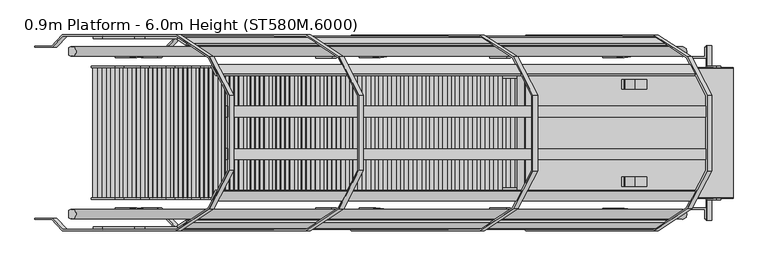
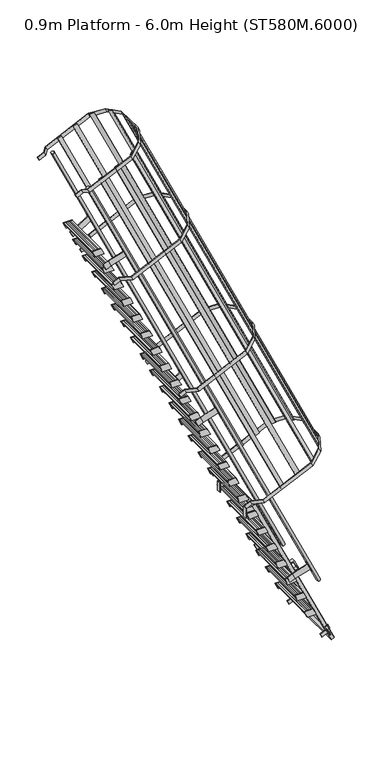
"""IFC4 building model written with IfcOpenShell, lengths in millimetres: proxy geometry, 0.9m Platform - 6.0m Height (ST580M.6000)."""

from ifc_helpers import new_model, si_unit, point, frame, frame_2d, origin, place, context, project, spatial, polyline, circle_curve, trimmed, segment, composite_curve, outline, extrude, source, transform, mapped, element, save


def proxy_0_9m_platform_6_0m_height_st580m_6000_4cd57a2c(model_context):
    return source(origin(), model_context, "Body", "SweptSolid", [
        extrude(outline(polyline([(5750.0, -287.4264819), (5670.0, -250.1218743), (5670.0, -139.7840772), (5750.0, -177.0886899), (5750.0, -287.4264819)])), frame((0.0, 298.5, 0.0), z_axis=(0.0, 1.0, 0.0), x_axis=(0.0, 0.0, 1.0)), (0.0, 0.0, 1.0), 6.0),
        extrude(outline(polyline([(5750.0, -287.4264819), (5670.0, -250.1218743), (5670.0, -139.7840772), (5750.0, -177.0886899), (5750.0, -287.4264819)])), frame((0.0, -304.5, 0.0), z_axis=(0.0, 1.0, 0.0), x_axis=(0.0, 0.0, 1.0)), (0.0, 0.0, 1.0), 6.0),
        extrude(outline(polyline([(5750.0, -280.2545256), (5712.0999991, -262.5814674), (5712.0999991, -260.3747116), (5747.0, -276.648847), (5747.0, -177.8965227), (5712.0999991, -161.6223851), (5712.0999991, -159.4156292), (5750.0, -177.0886899), (5750.0, -197.516431), (5749.2749538, -197.8545256), (5750.0, -198.1926202), (5750.0, -218.116431), (5749.2749538, -218.4545256), (5750.0, -218.7926202), (5750.0, -238.716431), (5749.2749538, -239.0545256), (5750.0, -239.3926202), (5750.0, -259.316431), (5749.2749538, -259.6545256), (5750.0, -259.9926202), (5750.0, -280.2545256)])), frame((0.0, -298.5, 0.0), z_axis=(0.0, 1.0, 0.0), x_axis=(0.0, 0.0, 1.0)), (0.0, 0.0, 1.0), 597.0),
        extrude(outline(polyline([(5500.0, -170.8481756), (5420.0, -133.543568), (5420.0, -23.2057709), (5500.0, -60.5103836), (5500.0, -170.8481756)])), frame((0.0, 298.5, 0.0), z_axis=(0.0, 1.0, 0.0), x_axis=(0.0, 0.0, 1.0)), (0.0, 0.0, 1.0), 6.0),
        extrude(outline(polyline([(5500.0, -170.8481756), (5420.0, -133.543568), (5420.0, -23.2057709), (5500.0, -60.5103836), (5500.0, -170.8481756)])), frame((0.0, -304.5, 0.0), z_axis=(0.0, 1.0, 0.0), x_axis=(0.0, 0.0, 1.0)), (0.0, 0.0, 1.0), 6.0),
        extrude(outline(polyline([(5500.0, -163.6762193), (5462.0999991, -146.0031611), (5462.0999991, -143.7964053), (5497.0, -160.0705407), (5497.0, -61.3182165), (5462.0999991, -45.0440788), (5462.0999991, -42.8373229), (5500.0, -60.5103836), (5500.0, -80.9381247), (5499.2749538, -81.2762193), (5500.0, -81.6143139), (5500.0, -101.5381247), (5499.2749538, -101.8762193), (5500.0, -102.2143139), (5500.0, -122.1381247), (5499.2749538, -122.4762193), (5500.0, -122.8143139), (5500.0, -142.7381247), (5499.2749538, -143.0762193), (5500.0, -143.4143139), (5500.0, -163.6762193)])), frame((0.0, -298.5, 0.0), z_axis=(0.0, 1.0, 0.0), x_axis=(0.0, 0.0, 1.0)), (0.0, 0.0, 1.0), 597.0),
        extrude(outline(polyline([(5250.0, -54.2698693), (5170.0, -16.9652617), (5170.0, 93.3725354), (5250.0, 56.0679227), (5250.0, -54.2698693)])), frame((0.0, 298.5, 0.0), z_axis=(0.0, 1.0, 0.0), x_axis=(0.0, 0.0, 1.0)), (0.0, 0.0, 1.0), 6.0),
        extrude(outline(polyline([(5250.0, -54.2698693), (5170.0, -16.9652617), (5170.0, 93.3725354), (5250.0, 56.0679227), (5250.0, -54.2698693)])), frame((0.0, -304.5, 0.0), z_axis=(0.0, 1.0, 0.0), x_axis=(0.0, 0.0, 1.0)), (0.0, 0.0, 1.0), 6.0),
        extrude(outline(polyline([(5250.0, -47.097913), (5212.0999991, -29.4248548), (5212.0999991, -27.218099), (5247.0, -43.4922345), (5247.0, 55.2600898), (5212.0999991, 71.5342275), (5212.0999991, 73.7409833), (5250.0, 56.0679227), (5250.0, 35.6401815), (5249.2749538, 35.302087), (5250.0, 34.9639924), (5250.0, 15.0401815), (5249.2749538, 14.702087), (5250.0, 14.3639924), (5250.0, -5.5598185), (5249.2749538, -5.897913), (5250.0, -6.2360076), (5250.0, -26.1598185), (5249.2749538, -26.497913), (5250.0, -26.8360076), (5250.0, -47.097913)])), frame((0.0, -298.5, 0.0), z_axis=(0.0, 1.0, 0.0), x_axis=(0.0, 0.0, 1.0)), (0.0, 0.0, 1.0), 597.0),
        extrude(outline(polyline([(5000.0, 62.308437), (4920.0, 99.6130446), (4920.0, 209.9508416), (5000.0, 172.646229), (5000.0, 62.308437)])), frame((0.0, 298.5, 0.0), z_axis=(0.0, 1.0, 0.0), x_axis=(0.0, 0.0, 1.0)), (0.0, 0.0, 1.0), 6.0),
        extrude(outline(polyline([(5000.0, 62.308437), (4920.0, 99.6130446), (4920.0, 209.9508416), (5000.0, 172.646229), (5000.0, 62.308437)])), frame((0.0, -304.5, 0.0), z_axis=(0.0, 1.0, 0.0), x_axis=(0.0, 0.0, 1.0)), (0.0, 0.0, 1.0), 6.0),
        extrude(outline(polyline([(5000.0, 69.4803933), (4962.0999991, 87.1534515), (4962.0999991, 89.3602073), (4997.0, 73.0860718), (4997.0, 171.8383961), (4962.0999991, 188.1125338), (4962.0999991, 190.3192896), (5000.0, 172.646229), (5000.0, 152.2184878), (4999.2749538, 151.8803933), (5000.0, 151.5422987), (5000.0, 131.6184878), (4999.2749538, 131.2803933), (5000.0, 130.9422987), (5000.0, 111.0184878), (4999.2749538, 110.6803933), (5000.0, 110.3422987), (5000.0, 90.4184878), (4999.2749538, 90.0803933), (5000.0, 89.7422987), (5000.0, 69.4803933)])), frame((0.0, -298.5, 0.0), z_axis=(0.0, 1.0, 0.0), x_axis=(0.0, 0.0, 1.0)), (0.0, 0.0, 1.0), 597.0),
        extrude(outline(polyline([(4750.0, 178.8867433), (4670.0, 216.1913509), (4670.0, 326.5291479), (4750.0, 289.2245353), (4750.0, 178.8867433)])), frame((0.0, 298.5, 0.0), z_axis=(0.0, 1.0, 0.0), x_axis=(0.0, 0.0, 1.0)), (0.0, 0.0, 1.0), 6.0),
        extrude(outline(polyline([(4750.0, 178.8867433), (4670.0, 216.1913509), (4670.0, 326.5291479), (4750.0, 289.2245353), (4750.0, 178.8867433)])), frame((0.0, -304.5, 0.0), z_axis=(0.0, 1.0, 0.0), x_axis=(0.0, 0.0, 1.0)), (0.0, 0.0, 1.0), 6.0),
        extrude(outline(polyline([(4750.0, 186.0586996), (4712.0999991, 203.7317578), (4712.0999991, 205.9385136), (4747.0, 189.6643781), (4747.0, 288.4167024), (4712.0999991, 304.6908401), (4712.0999991, 306.8975959), (4750.0, 289.2245353), (4750.0, 268.7967941), (4749.2749538, 268.4586996), (4750.0, 268.120605), (4750.0, 248.1967941), (4749.2749538, 247.8586996), (4750.0, 247.520605), (4750.0, 227.5967941), (4749.2749538, 227.2586996), (4750.0, 226.920605), (4750.0, 206.9967941), (4749.2749538, 206.6586996), (4750.0, 206.320605), (4750.0, 186.0586996)])), frame((0.0, -298.5, 0.0), z_axis=(0.0, 1.0, 0.0), x_axis=(0.0, 0.0, 1.0)), (0.0, 0.0, 1.0), 597.0),
        extrude(outline(polyline([(4500.0, 295.4650495), (4420.0, 332.7696571), (4420.0, 443.1074542), (4500.0, 405.8028416), (4500.0, 295.4650495)])), frame((0.0, 298.5, 0.0), z_axis=(0.0, 1.0, 0.0), x_axis=(0.0, 0.0, 1.0)), (0.0, 0.0, 1.0), 6.0),
        extrude(outline(polyline([(4500.0, 295.4650495), (4420.0, 332.7696571), (4420.0, 443.1074542), (4500.0, 405.8028416), (4500.0, 295.4650495)])), frame((0.0, -304.5, 0.0), z_axis=(0.0, 1.0, 0.0), x_axis=(0.0, 0.0, 1.0)), (0.0, 0.0, 1.0), 6.0),
        extrude(outline(polyline([(4500.0, 302.6370058), (4462.0999991, 320.3100641), (4462.0999991, 322.5168199), (4497.0, 306.2426844), (4497.0, 404.9950087), (4462.0999991, 421.2691464), (4462.0999991, 423.4759022), (4500.0, 405.8028416), (4500.0, 385.3751004), (4499.2749538, 385.0370058), (4500.0, 384.6989113), (4500.0, 364.7751004), (4499.2749538, 364.4370058), (4500.0, 364.0989113), (4500.0, 344.1751004), (4499.2749538, 343.8370058), (4500.0, 343.4989113), (4500.0, 323.5751004), (4499.2749538, 323.2370058), (4500.0, 322.8989113), (4500.0, 302.6370058)])), frame((0.0, -298.5, 0.0), z_axis=(0.0, 1.0, 0.0), x_axis=(0.0, 0.0, 1.0)), (0.0, 0.0, 1.0), 597.0),
        extrude(outline(polyline([(4250.0, 412.0433558), (4170.0, 449.3479634), (4170.0, 559.6857605), (4250.0, 522.3811479), (4250.0, 412.0433558)])), frame((0.0, 298.5, 0.0), z_axis=(0.0, 1.0, 0.0), x_axis=(0.0, 0.0, 1.0)), (0.0, 0.0, 1.0), 6.0),
        extrude(outline(polyline([(4250.0, 412.0433558), (4170.0, 449.3479634), (4170.0, 559.6857605), (4250.0, 522.3811479), (4250.0, 412.0433558)])), frame((0.0, -304.5, 0.0), z_axis=(0.0, 1.0, 0.0), x_axis=(0.0, 0.0, 1.0)), (0.0, 0.0, 1.0), 6.0),
        extrude(outline(polyline([(4250.0, 419.2153121), (4212.0999991, 436.8883704), (4212.0999991, 439.0951262), (4247.0, 422.8209907), (4247.0, 521.573315), (4212.0999991, 537.8474527), (4212.0999991, 540.0542085), (4250.0, 522.3811479), (4250.0, 501.9534067), (4249.2749538, 501.6153121), (4250.0, 501.2772176), (4250.0, 481.3534067), (4249.2749538, 481.0153121), (4250.0, 480.6772176), (4250.0, 460.7534067), (4249.2749538, 460.4153121), (4250.0, 460.0772176), (4250.0, 440.1534067), (4249.2749538, 439.8153121), (4250.0, 439.4772176), (4250.0, 419.2153121)])), frame((0.0, -298.5, 0.0), z_axis=(0.0, 1.0, 0.0), x_axis=(0.0, 0.0, 1.0)), (0.0, 0.0, 1.0), 597.0),
        extrude(outline(polyline([(4000.0, 528.6216621), (3920.0, 565.9262697), (3920.0, 676.2640668), (4000.0, 638.9594541), (4000.0, 528.6216621)])), frame((0.0, 298.5, 0.0), z_axis=(0.0, 1.0, 0.0), x_axis=(0.0, 0.0, 1.0)), (0.0, 0.0, 1.0), 6.0),
        extrude(outline(polyline([(4000.0, 528.6216621), (3920.0, 565.9262697), (3920.0, 676.2640668), (4000.0, 638.9594541), (4000.0, 528.6216621)])), frame((0.0, -304.5, 0.0), z_axis=(0.0, 1.0, 0.0), x_axis=(0.0, 0.0, 1.0)), (0.0, 0.0, 1.0), 6.0),
        extrude(outline(polyline([(4000.0, 535.7936184), (3962.0999991, 553.4666767), (3962.0999991, 555.6734324), (3997.0, 539.399297), (3997.0, 638.1516213), (3962.0999991, 654.4257589), (3962.0999991, 656.6325148), (4000.0, 638.9594541), (4000.0, 618.531713), (3999.2749538, 618.1936184), (4000.0, 617.8555238), (4000.0, 597.931713), (3999.2749538, 597.5936184), (4000.0, 597.2555238), (4000.0, 577.331713), (3999.2749538, 576.9936184), (4000.0, 576.6555238), (4000.0, 556.731713), (3999.2749538, 556.3936184), (4000.0, 556.0555238), (4000.0, 535.7936184)])), frame((0.0, -298.5, 0.0), z_axis=(0.0, 1.0, 0.0), x_axis=(0.0, 0.0, 1.0)), (0.0, 0.0, 1.0), 597.0),
        extrude(outline(polyline([(3750.0, 645.1999684), (3670.0, 682.504576), (3670.0, 792.8423731), (3750.0, 755.5377604), (3750.0, 645.1999684)])), frame((0.0, 298.5, 0.0), z_axis=(0.0, 1.0, 0.0), x_axis=(0.0, 0.0, 1.0)), (0.0, 0.0, 1.0), 6.0),
        extrude(outline(polyline([(3750.0, 645.1999684), (3670.0, 682.504576), (3670.0, 792.8423731), (3750.0, 755.5377604), (3750.0, 645.1999684)])), frame((0.0, -304.5, 0.0), z_axis=(0.0, 1.0, 0.0), x_axis=(0.0, 0.0, 1.0)), (0.0, 0.0, 1.0), 6.0),
        extrude(outline(polyline([(3750.0, 652.3719247), (3712.0999991, 670.044983), (3712.0999991, 672.2517387), (3747.0, 655.9776033), (3747.0, 754.7299276), (3712.0999991, 771.0040652), (3712.0999991, 773.2108211), (3750.0, 755.5377604), (3750.0, 735.1100193), (3749.2749538, 734.7719247), (3750.0, 734.4338301), (3750.0, 714.5100193), (3749.2749538, 714.1719247), (3750.0, 713.8338301), (3750.0, 693.9100193), (3749.2749538, 693.5719247), (3750.0, 693.2338301), (3750.0, 673.3100193), (3749.2749538, 672.9719247), (3750.0, 672.6338301), (3750.0, 652.3719247)])), frame((0.0, -298.5, 0.0), z_axis=(0.0, 1.0, 0.0), x_axis=(0.0, 0.0, 1.0)), (0.0, 0.0, 1.0), 597.0),
        extrude(outline(polyline([(3500.0, 761.7782747), (3420.0, 799.0828823), (3420.0, 909.4206794), (3500.0, 872.1160667), (3500.0, 761.7782747)])), frame((0.0, 298.5, 0.0), z_axis=(0.0, 1.0, 0.0), x_axis=(0.0, 0.0, 1.0)), (0.0, 0.0, 1.0), 6.0),
        extrude(outline(polyline([(3500.0, 761.7782747), (3420.0, 799.0828823), (3420.0, 909.4206794), (3500.0, 872.1160667), (3500.0, 761.7782747)])), frame((0.0, -304.5, 0.0), z_axis=(0.0, 1.0, 0.0), x_axis=(0.0, 0.0, 1.0)), (0.0, 0.0, 1.0), 6.0),
        extrude(outline(polyline([(3500.0, 768.950231), (3462.0999991, 786.6232892), (3462.0999991, 788.830045), (3497.0, 772.5559096), (3497.0, 871.3082339), (3462.0999991, 887.5823715), (3462.0999991, 889.7891274), (3500.0, 872.1160667), (3500.0, 851.6883256), (3499.2749538, 851.350231), (3500.0, 851.0121364), (3500.0, 831.0883256), (3499.2749538, 830.750231), (3500.0, 830.4121364), (3500.0, 810.4883256), (3499.2749538, 810.150231), (3500.0, 809.8121364), (3500.0, 789.8883256), (3499.2749538, 789.550231), (3500.0, 789.2121364), (3500.0, 768.950231)])), frame((0.0, -298.5, 0.0), z_axis=(0.0, 1.0, 0.0), x_axis=(0.0, 0.0, 1.0)), (0.0, 0.0, 1.0), 597.0),
        extrude(outline(polyline([(3250.0, 878.356581), (3170.0, 915.6611886), (3170.0, 1025.9989857), (3250.0, 988.694373), (3250.0, 878.356581)])), frame((0.0, 298.5, 0.0), z_axis=(0.0, 1.0, 0.0), x_axis=(0.0, 0.0, 1.0)), (0.0, 0.0, 1.0), 6.0),
        extrude(outline(polyline([(3250.0, 878.356581), (3170.0, 915.6611886), (3170.0, 1025.9989857), (3250.0, 988.694373), (3250.0, 878.356581)])), frame((0.0, -304.5, 0.0), z_axis=(0.0, 1.0, 0.0), x_axis=(0.0, 0.0, 1.0)), (0.0, 0.0, 1.0), 6.0),
        extrude(outline(polyline([(3250.0, 885.5285373), (3212.0999991, 903.2015955), (3212.0999991, 905.4083513), (3247.0, 889.1342158), (3247.0, 987.8865401), (3212.0999991, 1004.1606778), (3212.0999991, 1006.3674336), (3250.0, 988.694373), (3250.0, 968.2666319), (3249.2749538, 967.9285373), (3250.0, 967.5904427), (3250.0, 947.6666319), (3249.2749538, 947.3285373), (3250.0, 946.9904427), (3250.0, 927.0666319), (3249.2749538, 926.7285373), (3250.0, 926.3904427), (3250.0, 906.4666319), (3249.2749538, 906.1285373), (3250.0, 905.7904427), (3250.0, 885.5285373)])), frame((0.0, -298.5, 0.0), z_axis=(0.0, 1.0, 0.0), x_axis=(0.0, 0.0, 1.0)), (0.0, 0.0, 1.0), 597.0),
        extrude(outline(polyline([(3000.0, 994.9348873), (2920.0, 1032.2394949), (2920.0, 1142.5772919), (3000.0, 1105.2726793), (3000.0, 994.9348873)])), frame((0.0, 298.5, 0.0), z_axis=(0.0, 1.0, 0.0), x_axis=(0.0, 0.0, 1.0)), (0.0, 0.0, 1.0), 6.0),
        extrude(outline(polyline([(3000.0, 994.9348873), (2920.0, 1032.2394949), (2920.0, 1142.5772919), (3000.0, 1105.2726793), (3000.0, 994.9348873)])), frame((0.0, -304.5, 0.0), z_axis=(0.0, 1.0, 0.0), x_axis=(0.0, 0.0, 1.0)), (0.0, 0.0, 1.0), 6.0),
        extrude(outline(polyline([(3000.0, 1002.1068436), (2962.0999991, 1019.7799018), (2962.0999991, 1021.9866576), (2997.0, 1005.7125221), (2997.0, 1104.4648464), (2962.0999991, 1120.7389841), (2962.0999991, 1122.9457399), (3000.0, 1105.2726793), (3000.0, 1084.8449381), (2999.2749538, 1084.5068436), (3000.0, 1084.168749), (3000.0, 1064.2449381), (2999.2749538, 1063.9068436), (3000.0, 1063.568749), (3000.0, 1043.6449381), (2999.2749538, 1043.3068436), (3000.0, 1042.968749), (3000.0, 1023.0449381), (2999.2749538, 1022.7068436), (3000.0, 1022.368749), (3000.0, 1002.1068436)])), frame((0.0, -298.5, 0.0), z_axis=(0.0, 1.0, 0.0), x_axis=(0.0, 0.0, 1.0)), (0.0, 0.0, 1.0), 597.0),
        extrude(outline(polyline([(2750.0, 1111.5131936), (2670.0, 1148.8178012), (2670.0, 1259.1555982), (2750.0, 1221.8509856), (2750.0, 1111.5131936)])), frame((0.0, 298.5, 0.0), z_axis=(0.0, 1.0, 0.0), x_axis=(0.0, 0.0, 1.0)), (0.0, 0.0, 1.0), 6.0),
        extrude(outline(polyline([(2750.0, 1111.5131936), (2670.0, 1148.8178012), (2670.0, 1259.1555982), (2750.0, 1221.8509856), (2750.0, 1111.5131936)])), frame((0.0, -304.5, 0.0), z_axis=(0.0, 1.0, 0.0), x_axis=(0.0, 0.0, 1.0)), (0.0, 0.0, 1.0), 6.0),
        extrude(outline(polyline([(2750.0, 1118.6851499), (2712.0999991, 1136.3582081), (2712.0999991, 1138.5649639), (2747.0, 1122.2908284), (2747.0, 1221.0431527), (2712.0999991, 1237.3172904), (2712.0999991, 1239.5240462), (2750.0, 1221.8509856), (2750.0, 1201.4232444), (2749.2749538, 1201.0851499), (2750.0, 1200.7470553), (2750.0, 1180.8232444), (2749.2749538, 1180.4851499), (2750.0, 1180.1470553), (2750.0, 1160.2232444), (2749.2749538, 1159.8851499), (2750.0, 1159.5470553), (2750.0, 1139.6232444), (2749.2749538, 1139.2851499), (2750.0, 1138.9470553), (2750.0, 1118.6851499)])), frame((0.0, -298.5, 0.0), z_axis=(0.0, 1.0, 0.0), x_axis=(0.0, 0.0, 1.0)), (0.0, 0.0, 1.0), 597.0),
        extrude(outline(polyline([(2500.0, 1228.0914998), (2420.0, 1265.3961074), (2420.0, 1375.7339045), (2500.0, 1338.4292919), (2500.0, 1228.0914998)])), frame((0.0, 298.5, 0.0), z_axis=(0.0, 1.0, 0.0), x_axis=(0.0, 0.0, 1.0)), (0.0, 0.0, 1.0), 6.0),
        extrude(outline(polyline([(2500.0, 1228.0914998), (2420.0, 1265.3961074), (2420.0, 1375.7339045), (2500.0, 1338.4292919), (2500.0, 1228.0914998)])), frame((0.0, -304.5, 0.0), z_axis=(0.0, 1.0, 0.0), x_axis=(0.0, 0.0, 1.0)), (0.0, 0.0, 1.0), 6.0),
        extrude(outline(polyline([(2500.0, 1235.2634561), (2462.0999991, 1252.9365144), (2462.0999991, 1255.1432702), (2497.0, 1238.8691347), (2497.0, 1337.621459), (2462.0999991, 1353.8955967), (2462.0999991, 1356.1023525), (2500.0, 1338.4292919), (2500.0, 1318.0015507), (2499.2749538, 1317.6634561), (2500.0, 1317.3253616), (2500.0, 1297.4015507), (2499.2749538, 1297.0634561), (2500.0, 1296.7253616), (2500.0, 1276.8015507), (2499.2749538, 1276.4634561), (2500.0, 1276.1253616), (2500.0, 1256.2015507), (2499.2749538, 1255.8634561), (2500.0, 1255.5253616), (2500.0, 1235.2634561)])), frame((0.0, -298.5, 0.0), z_axis=(0.0, 1.0, 0.0), x_axis=(0.0, 0.0, 1.0)), (0.0, 0.0, 1.0), 597.0),
        extrude(outline(polyline([(2250.0, 1344.6698061), (2170.0, 1381.9744137), (2170.0, 1492.3122108), (2250.0, 1455.0075982), (2250.0, 1344.6698061)])), frame((0.0, 298.5, 0.0), z_axis=(0.0, 1.0, 0.0), x_axis=(0.0, 0.0, 1.0)), (0.0, 0.0, 1.0), 6.0),
        extrude(outline(polyline([(2250.0, 1344.6698061), (2170.0, 1381.9744137), (2170.0, 1492.3122108), (2250.0, 1455.0075982), (2250.0, 1344.6698061)])), frame((0.0, -304.5, 0.0), z_axis=(0.0, 1.0, 0.0), x_axis=(0.0, 0.0, 1.0)), (0.0, 0.0, 1.0), 6.0),
        extrude(outline(polyline([(2250.0, 1351.8417624), (2212.0999991, 1369.5148207), (2212.0999991, 1371.7215765), (2247.0, 1355.447441), (2247.0, 1454.1997653), (2212.0999991, 1470.473903), (2212.0999991, 1472.6806588), (2250.0, 1455.0075982), (2250.0, 1434.579857), (2249.2749538, 1434.2417624), (2250.0, 1433.9036679), (2250.0, 1413.979857), (2249.2749538, 1413.6417624), (2250.0, 1413.3036679), (2250.0, 1393.379857), (2249.2749538, 1393.0417624), (2250.0, 1392.7036679), (2250.0, 1372.779857), (2249.2749538, 1372.4417624), (2250.0, 1372.1036679), (2250.0, 1351.8417624)])), frame((0.0, -298.5, 0.0), z_axis=(0.0, 1.0, 0.0), x_axis=(0.0, 0.0, 1.0)), (0.0, 0.0, 1.0), 597.0),
        extrude(outline(polyline([(2000.0, 1461.2481124), (1920.0, 1498.55272), (1920.0, 1608.8905171), (2000.0, 1571.5859044), (2000.0, 1461.2481124)])), frame((0.0, 298.5, 0.0), z_axis=(0.0, 1.0, 0.0), x_axis=(0.0, 0.0, 1.0)), (0.0, 0.0, 1.0), 6.0),
        extrude(outline(polyline([(2000.0, 1461.2481124), (1920.0, 1498.55272), (1920.0, 1608.8905171), (2000.0, 1571.5859044), (2000.0, 1461.2481124)])), frame((0.0, -304.5, 0.0), z_axis=(0.0, 1.0, 0.0), x_axis=(0.0, 0.0, 1.0)), (0.0, 0.0, 1.0), 6.0),
        extrude(outline(polyline([(2000.0, 1468.4200687), (1962.0999991, 1486.093127), (1962.0999991, 1488.2998828), (1997.0, 1472.0257473), (1997.0, 1570.7780716), (1962.0999991, 1587.0522092), (1962.0999991, 1589.2589651), (2000.0, 1571.5859044), (2000.0, 1551.1581633), (1999.2749538, 1550.8200687), (2000.0, 1550.4819741), (2000.0, 1530.5581633), (1999.2749538, 1530.2200687), (2000.0, 1529.8819741), (2000.0, 1509.9581633), (1999.2749538, 1509.6200687), (2000.0, 1509.2819741), (2000.0, 1489.3581633), (1999.2749538, 1489.0200687), (2000.0, 1488.6819741), (2000.0, 1468.4200687)])), frame((0.0, -298.5, 0.0), z_axis=(0.0, 1.0, 0.0), x_axis=(0.0, 0.0, 1.0)), (0.0, 0.0, 1.0), 597.0),
        extrude(outline(polyline([(1750.0, 1577.8264187), (1670.0, 1615.1310263), (1670.0, 1725.4688234), (1750.0, 1688.1642107), (1750.0, 1577.8264187)])), frame((0.0, 298.5, 0.0), z_axis=(0.0, 1.0, 0.0), x_axis=(0.0, 0.0, 1.0)), (0.0, 0.0, 1.0), 6.0),
        extrude(outline(polyline([(1750.0, 1577.8264187), (1670.0, 1615.1310263), (1670.0, 1725.4688234), (1750.0, 1688.1642107), (1750.0, 1577.8264187)])), frame((0.0, -304.5, 0.0), z_axis=(0.0, 1.0, 0.0), x_axis=(0.0, 0.0, 1.0)), (0.0, 0.0, 1.0), 6.0),
        extrude(outline(polyline([(1750.0, 1584.998375), (1712.0999991, 1602.6714333), (1712.0999991, 1604.878189), (1747.0, 1588.6040536), (1747.0, 1687.3563779), (1712.0999991, 1703.6305155), (1712.0999991, 1705.8372714), (1750.0, 1688.1642107), (1750.0, 1667.7364696), (1749.2749538, 1667.398375), (1750.0, 1667.0602804), (1750.0, 1647.1364696), (1749.2749538, 1646.798375), (1750.0, 1646.4602804), (1750.0, 1626.5364696), (1749.2749538, 1626.198375), (1750.0, 1625.8602804), (1750.0, 1605.9364696), (1749.2749538, 1605.598375), (1750.0, 1605.2602804), (1750.0, 1584.998375)])), frame((0.0, -298.5, 0.0), z_axis=(0.0, 1.0, 0.0), x_axis=(0.0, 0.0, 1.0)), (0.0, 0.0, 1.0), 597.0),
        extrude(outline(polyline([(1500.0, 1694.404725), (1420.0, 1731.7093326), (1420.0, 1842.0471297), (1500.0, 1804.742517), (1500.0, 1694.404725)])), frame((0.0, 298.5, 0.0), z_axis=(0.0, 1.0, 0.0), x_axis=(0.0, 0.0, 1.0)), (0.0, 0.0, 1.0), 6.0),
        extrude(outline(polyline([(1500.0, 1694.404725), (1420.0, 1731.7093326), (1420.0, 1842.0471297), (1500.0, 1804.742517), (1500.0, 1694.404725)])), frame((0.0, -304.5, 0.0), z_axis=(0.0, 1.0, 0.0), x_axis=(0.0, 0.0, 1.0)), (0.0, 0.0, 1.0), 6.0),
        extrude(outline(polyline([(1500.0, 1701.5766813), (1462.0999991, 1719.2497395), (1462.0999991, 1721.4564953), (1497.0, 1705.1823599), (1497.0, 1803.9346842), (1462.0999991, 1820.2088218), (1462.0999991, 1822.4155777), (1500.0, 1804.742517), (1500.0, 1784.3147759), (1499.2749538, 1783.9766813), (1500.0, 1783.6385867), (1500.0, 1763.7147759), (1499.2749538, 1763.3766813), (1500.0, 1763.0385867), (1500.0, 1743.1147759), (1499.2749538, 1742.7766813), (1500.0, 1742.4385867), (1500.0, 1722.5147759), (1499.2749538, 1722.1766813), (1500.0, 1721.8385867), (1500.0, 1701.5766813)])), frame((0.0, -298.5, 0.0), z_axis=(0.0, 1.0, 0.0), x_axis=(0.0, 0.0, 1.0)), (0.0, 0.0, 1.0), 597.0),
        extrude(outline(polyline([(1250.0, 1810.9830313), (1170.0, 1848.2876389), (1170.0, 1958.625436), (1250.0, 1921.3208233), (1250.0, 1810.9830313)])), frame((0.0, 298.5, 0.0), z_axis=(0.0, 1.0, 0.0), x_axis=(0.0, 0.0, 1.0)), (0.0, 0.0, 1.0), 6.0),
        extrude(outline(polyline([(1250.0, 1810.9830313), (1170.0, 1848.2876389), (1170.0, 1958.625436), (1250.0, 1921.3208233), (1250.0, 1810.9830313)])), frame((0.0, -304.5, 0.0), z_axis=(0.0, 1.0, 0.0), x_axis=(0.0, 0.0, 1.0)), (0.0, 0.0, 1.0), 6.0),
        extrude(outline(polyline([(1250.0, 1818.1549876), (1212.0999991, 1835.8280458), (1212.0999991, 1838.0348016), (1247.0, 1821.7606662), (1247.0, 1920.5129904), (1212.0999991, 1936.7871281), (1212.0999991, 1938.9938839), (1250.0, 1921.3208233), (1250.0, 1900.8930822), (1249.2749538, 1900.5549876), (1250.0, 1900.216893), (1250.0, 1880.2930822), (1249.2749538, 1879.9549876), (1250.0, 1879.616893), (1250.0, 1859.6930822), (1249.2749538, 1859.3549876), (1250.0, 1859.016893), (1250.0, 1839.0930822), (1249.2749538, 1838.7549876), (1250.0, 1838.416893), (1250.0, 1818.1549876)])), frame((0.0, -298.5, 0.0), z_axis=(0.0, 1.0, 0.0), x_axis=(0.0, 0.0, 1.0)), (0.0, 0.0, 1.0), 597.0),
        extrude(outline(polyline([(1000.0, 1927.5613376), (920.0, 1964.8659452), (920.0, 2075.2037422), (1000.0, 2037.8991296), (1000.0, 1927.5613376)])), frame((0.0, 298.5, 0.0), z_axis=(0.0, 1.0, 0.0), x_axis=(0.0, 0.0, 1.0)), (0.0, 0.0, 1.0), 6.0),
        extrude(outline(polyline([(1000.0, 1927.5613376), (920.0, 1964.8659452), (920.0, 2075.2037422), (1000.0, 2037.8991296), (1000.0, 1927.5613376)])), frame((0.0, -304.5, 0.0), z_axis=(0.0, 1.0, 0.0), x_axis=(0.0, 0.0, 1.0)), (0.0, 0.0, 1.0), 6.0),
        extrude(outline(polyline([(1000.0, 1934.7332939), (962.0999991, 1952.4063521), (962.0999991, 1954.6131079), (997.0, 1938.3389724), (997.0, 2037.0912967), (962.0999991, 2053.3654344), (962.0999991, 2055.5721902), (1000.0, 2037.8991296), (1000.0, 2017.4713884), (999.2749538, 2017.1332939), (1000.0, 2016.7951993), (1000.0, 1996.8713884), (999.2749538, 1996.5332939), (1000.0, 1996.1951993), (1000.0, 1976.2713884), (999.2749538, 1975.9332939), (1000.0, 1975.5951993), (1000.0, 1955.6713884), (999.2749538, 1955.3332939), (1000.0, 1954.9951993), (1000.0, 1934.7332939)])), frame((0.0, -298.5, 0.0), z_axis=(0.0, 1.0, 0.0), x_axis=(0.0, 0.0, 1.0)), (0.0, 0.0, 1.0), 597.0),
        extrude(outline(polyline([(750.0, 2044.1396439), (670.0, 2081.4442515), (670.0, 2191.7820485), (750.0, 2154.4774359), (750.0, 2044.1396439)])), frame((0.0, 298.5, 0.0), z_axis=(0.0, 1.0, 0.0), x_axis=(0.0, 0.0, 1.0)), (0.0, 0.0, 1.0), 6.0),
        extrude(outline(polyline([(750.0, 2044.1396439), (670.0, 2081.4442515), (670.0, 2191.7820485), (750.0, 2154.4774359), (750.0, 2044.1396439)])), frame((0.0, -304.5, 0.0), z_axis=(0.0, 1.0, 0.0), x_axis=(0.0, 0.0, 1.0)), (0.0, 0.0, 1.0), 6.0),
        extrude(outline(polyline([(750.0, 2051.3116002), (712.0999991, 2068.9846584), (712.0999991, 2071.1914142), (747.0, 2054.9172787), (747.0, 2153.669603), (712.0999991, 2169.9437407), (712.0999991, 2172.1504965), (750.0, 2154.4774359), (750.0, 2134.0496947), (749.2749538, 2133.7116002), (750.0, 2133.3735056), (750.0, 2113.4496947), (749.2749538, 2113.1116002), (750.0, 2112.7735056), (750.0, 2092.8496947), (749.2749538, 2092.5116002), (750.0, 2092.1735056), (750.0, 2072.2496947), (749.2749538, 2071.9116002), (750.0, 2071.5735056), (750.0, 2051.3116002)])), frame((0.0, -298.5, 0.0), z_axis=(0.0, 1.0, 0.0), x_axis=(0.0, 0.0, 1.0)), (0.0, 0.0, 1.0), 597.0),
        extrude(outline(polyline([(500.0, 2160.7179501), (420.0, 2198.0225577), (420.0, 2308.3603548), (500.0, 2271.0557422), (500.0, 2160.7179501)])), frame((0.0, 298.5, 0.0), z_axis=(0.0, 1.0, 0.0), x_axis=(0.0, 0.0, 1.0)), (0.0, 0.0, 1.0), 6.0),
        extrude(outline(polyline([(500.0, 2160.7179501), (420.0, 2198.0225577), (420.0, 2308.3603548), (500.0, 2271.0557422), (500.0, 2160.7179501)])), frame((0.0, -304.5, 0.0), z_axis=(0.0, 1.0, 0.0), x_axis=(0.0, 0.0, 1.0)), (0.0, 0.0, 1.0), 6.0),
        extrude(outline(polyline([(500.0, 2167.8899064), (462.0999991, 2185.5629647), (462.0999991, 2187.7697205), (497.0, 2171.495585), (497.0, 2270.2479093), (462.0999991, 2286.522047), (462.0999991, 2288.7288028), (500.0, 2271.0557422), (500.0, 2250.628001), (499.2749538, 2250.2899064), (500.0, 2249.9518119), (500.0, 2230.028001), (499.2749538, 2229.6899064), (500.0, 2229.3518119), (500.0, 2209.428001), (499.2749538, 2209.0899064), (500.0, 2208.7518119), (500.0, 2188.828001), (499.2749538, 2188.4899064), (500.0, 2188.1518119), (500.0, 2167.8899064)])), frame((0.0, -298.5, 0.0), z_axis=(0.0, 1.0, 0.0), x_axis=(0.0, 0.0, 1.0)), (0.0, 0.0, 1.0), 597.0),
        extrude(outline(polyline([(0.0, -6.0), (0.0, 0.0), (50.0, 0.0), (50.0, -6.0), (0.0, -6.0)])), frame((1467.8171583, 296.0, 1938.5825253), z_axis=(-4.386544572965167e-06, 0.0, 0.9999999999903791), x_axis=(0.0, -1.0, 0.0)), (0.0, 0.0, 1.0), 120.0),
        extrude(outline(polyline([(2000.5829861, 1572.8627305), (2058.5828675, 1545.8166319), (2058.5825253, 1467.8166319), (2000.5825253, 1467.8168863), (2000.5829861, 1572.8627305)])), frame((0.0, 252.0, 0.0), z_axis=(0.0, 1.0, 0.0), x_axis=(0.0, 0.0, 1.0)), (0.0, 0.0, 1.0), 38.0),
        extrude(outline(polyline([(0.0, -6.0), (0.0, 0.0), (50.0, 0.0), (50.0, -6.0), (0.0, -6.0)])), frame((1461.8171583, -296.0, 1938.582499), z_axis=(-4.386544570578188e-06, 0.0, 0.9999999999903793), x_axis=(0.0, 1.0, 0.0)), (0.0, 0.0, 1.0), 120.0),
        extrude(outline(polyline([(2000.5829861, 1572.8627305), (2058.5828675, 1545.8166319), (2058.5825253, 1467.8166319), (2000.5825253, 1467.8168863), (2000.5829861, 1572.8627305)])), frame((0.0, -290.0, 0.0), z_axis=(0.0, 1.0, 0.0), x_axis=(0.0, 0.0, 1.0)), (0.0, 0.0, 1.0), 38.0),
        extrude(outline(polyline([(0.0, -590.0), (0.0, 0.0), (2.0, 0.0), (2.0, -590.0), (0.0, -590.0)])), frame((2526.6295696, -295.0, 49.8939963), z_axis=(-0.4226222372961309, 0.0, 0.9063059331940915), x_axis=(-0.9063059331940915, 0.0, -0.4226222372961309)), (0.0, 0.0, 1.0), 2240.0),
        extrude(outline(polyline([(2250.0, 0.0), (2250.0, -600.0), (0.0, -600.0), (0.0, 0.0), (2250.0, 0.0)]), holes=[polyline([(1096.0, -58.0), (58.0, -58.0), (58.0, -542.0), (1096.0, -542.0), (1096.0, -58.0)]), polyline([(1154.0, -542.0), (2192.0000001, -542.0), (2192.0000001, -58.0), (1154.0, -58.0), (1154.0, -542.0)])]), frame((1541.5904095, 300.0, 2067.6459268), z_axis=(0.9063059331940915, 0.0, 0.4226222372961309), x_axis=(0.4226222372961309, 0.0, -0.9063059331940915)), (0.0, 0.0, 1.0), 38.0),
        extrude(outline(polyline([(0.0, 0.0), (80.0, 0.0), (80.0, -6.0), (6.0, -6.0), (6.0, -50.0), (0.0, -50.0), (0.0, 0.0)])), frame((2424.8708855, 343.0, 173.4665264), z_axis=(-0.4226222372961309, 0.0, 0.9063059331940915), x_axis=(-0.9063059331940915, 0.0, -0.4226222372961309)), (0.0, 0.0, 1.0), 50.0),
        extrude(outline(polyline([(0.0, 686.0), (0.0, 736.0), (6.0, 736.0), (6.0, 692.0), (80.0, 692.0), (80.0, 686.0), (0.0, 686.0)])), frame((2424.8708855, 343.0, 173.4665264), z_axis=(-0.4226222372961309, 0.0, 0.9063059331940915), x_axis=(-0.9063059331940915, 0.0, -0.4226222372961309)), (0.0, 0.0, 1.0), 50.0),
        extrude(outline(polyline([(-100.0, 0.0), (0.0, 0.0), (0.0, -50.0), (-6.0, -50.0), (-6.0, -6.0), (-100.0, -6.0), (-100.0, 0.0)])), frame((2424.8708855, -300.0, 173.4665264), z_axis=(-0.4226222372961309, 0.0, 0.9063059331940915), x_axis=(0.0, 1.0, 0.0)), (0.0, 0.0, 1.0), 50.0),
        extrude(outline(polyline([(700.0, 0.0), (700.0, -6.0), (606.0, -6.0), (606.0, -50.0), (600.0, -50.0), (600.0, 0.0), (700.0, 0.0)])), frame((2424.8708855, -300.0, 173.4665264), z_axis=(-0.4226222372961309, 0.0, 0.9063059331940915), x_axis=(0.0, 1.0, 0.0)), (0.0, 0.0, 1.0), 50.0),
        extrude(outline(polyline([(1117.9755385, 2028.5692629), (1132.3704174, 2074.8189922), (1038.1146003, 2118.7717049), (1011.9377443, 2078.0160647), (989.280096, 2088.5816206), (993.5063184, 2097.6446799), (1008.0072133, 2090.8827241), (1034.1840693, 2131.6383644), (1144.7533931, 2080.0784514), (1130.3585143, 2033.8287221), (1144.8594092, 2027.0667663), (1140.6331869, 2018.003707), (1117.9755385, 2028.5692629)])), frame((0.0, 201.0, 0.0), z_axis=(0.0, 1.0, 0.0), x_axis=(0.0, 0.0, 1.0)), (0.0, 0.0, 1.0), 44.0),
        extrude(outline(polyline([(1117.9755385, 2028.5692629), (1132.3704174, 2074.8189922), (1038.1146003, 2118.7717049), (1011.9377443, 2078.0160647), (989.280096, 2088.5816206), (993.5063184, 2097.6446799), (1008.0072133, 2090.8827241), (1034.1840693, 2131.6383644), (1144.7533931, 2080.0784514), (1130.3585143, 2033.8287221), (1144.8594092, 2027.0667663), (1140.6331869, 2018.003707), (1117.9755385, 2028.5692629)])), frame((0.0, -245.0, 0.0), z_axis=(0.0, 1.0, 0.0), x_axis=(0.0, 0.0, 1.0)), (0.0, 0.0, 1.0), 44.0),
        extrude(outline(polyline([(-573.915974, 0.0), (0.0, 0.0), (168.0, -100.0), (268.0, -275.0), (268.0, -621.0), (168.0, -796.0), (0.0, -896.0), (-573.915974, -896.0), (-626.9765801, -845.0), (-710.8030303, -845.0), (-710.8030303, -839.0), (-624.560606, -839.0), (-571.5, -890.0), (-1.5933867, -890.0), (163.6024049, -791.6024049), (262.0, -619.4066134), (262.0, -276.5933866), (163.6024049, -104.3975951), (-1.5933867, -6.0), (-571.5, -6.0), (-624.560606, -57.0), (-710.8030303, -57.0), (-710.8030303, -51.0), (-626.9765801, -51.0), (-573.915974, 0.0)])), frame((4.1227418, 448.0, 7128.9315022), z_axis=(-0.4226222372961309, 0.0, 0.9063059331940915), x_axis=(0.9063059331940915, 0.0, 0.4226222372961309)), (0.0, 0.0, 1.0), 50.0),
        extrude(outline(polyline([(-6.0, 0.0), (0.0, 0.0), (0.0, -77.584026), (99.0, -180.584026), (99.0, -827.0), (-1.0, -995.0000001), (-176.0, -1095.0), (-522.0, -1095.0), (-697.0, -995.0000001), (-797.0, -827.0), (-797.0, -180.584026), (-698.0, -77.584026), (-698.0, 0.0), (-692.0, 0.0), (-692.0, -80.0), (-791.0, -183.0), (-791.0, -825.4066134), (-692.6024049, -990.6024049), (-520.4066134, -1089.0), (-177.5933866, -1089.0), (-5.3975951, -990.6024049), (93.0, -825.4066134), (93.0, -183.0), (-6.0, -80.0), (-6.0, 0.0)])), frame((641.4793503, 349.0, 3805.3011962), z_axis=(-0.4226222372961309, 0.0, 0.9063059331940915), x_axis=(0.0, 1.0, 0.0)), (0.0, 0.0, 1.0), 50.0),
        extrude(outline(polyline([(-6.0, 0.0), (0.0, 0.0), (0.0, -77.584026), (99.0, -180.584026), (99.0, -827.0000001), (-1.0, -995.0), (-176.0, -1095.0000001), (-522.0, -1095.0000001), (-697.0, -995.0), (-797.0, -827.0000001), (-797.0, -180.584026), (-698.0, -77.584026), (-698.0, 0.0), (-692.0, 0.0), (-692.0, -80.0), (-791.0, -183.0000001), (-791.0, -825.4066134), (-692.6024049, -990.6024049), (-520.4066134, -1089.0000001), (-177.5933866, -1089.0000001), (-5.3975951, -990.6024049), (93.0, -825.4066134), (93.0, -183.0000001), (-6.0, -80.0), (-6.0, 0.0)])), frame((1436.6798334, 349.0, 2100.0077868), z_axis=(-0.4226222372961309, 0.0, 0.9063059331940915), x_axis=(0.0, 1.0, 0.0)), (0.0, 0.0, 1.0), 50.0),
        extrude(outline(polyline([(0.0, 0.0), (50.0000001, 0.0), (50.0000001, -12.0), (0.0, -12.0), (0.0, 0.0)])), frame((1852.6742568, 430.0, 2293.9913938), z_axis=(-0.4226222372961309, 0.0, 0.9063059331940915), x_axis=(-0.9063059331940915, 0.0, -0.4226222372961309)), (0.0, 0.0, 1.0), 5213.173884),
        extrude(outline(polyline([(-209.9999999, 0.0), (-160.0, 0.0), (-160.0, -12.0), (-209.9999999, -12.0), (-209.9999999, 0.0)])), frame((1852.6742568, 430.0, 2293.9913938), z_axis=(-0.4226222372961309, 0.0, 0.9063059331940915), x_axis=(-0.9063059331940915, 0.0, -0.4226222372961309)), (0.0, 0.0, 1.0), 5213.173884),
        extrude(outline(polyline([(-630.0, 357.5), (-618.0, 357.5), (-618.0, 307.5), (-630.0, 307.5), (-630.0, 357.5)])), frame((1852.6742568, 430.0, 2293.9913938), z_axis=(-0.4226222372961309, 0.0, 0.9063059331940915), x_axis=(-0.9063059331940915, 0.0, -0.4226222372961309)), (0.0, 0.0, 1.0), 5213.173884),
        extrude(outline(polyline([(-630.0, 552.5), (-618.0, 552.5), (-618.0, 502.5), (-630.0, 502.5), (-630.0, 552.5)])), frame((1852.6742568, 430.0, 2293.9913938), z_axis=(-0.4226222372961309, 0.0, 0.9063059331940915), x_axis=(-0.9063059331940915, 0.0, -0.4226222372961309)), (0.0, 0.0, 1.0), 5213.173884),
        extrude(outline(polyline([(-209.9999999, 872.0), (-160.0, 872.0), (-160.0, 860.0), (-209.9999999, 860.0), (-209.9999999, 872.0)])), frame((1852.6742568, 430.0, 2293.9913938), z_axis=(-0.4226222372961309, 0.0, 0.9063059331940915), x_axis=(-0.9063059331940915, 0.0, -0.4226222372961309)), (0.0, 0.0, 1.0), 5213.173884),
        extrude(outline(polyline([(0.0, 872.0), (50.0000001, 872.0), (50.0000001, 860.0), (0.0, 860.0), (0.0, 872.0)])), frame((1852.6742568, 430.0, 2293.9913938), z_axis=(-0.4226222372961309, 0.0, 0.9063059331940915), x_axis=(-0.9063059331940915, 0.0, -0.4226222372961309)), (0.0, 0.0, 1.0), 5213.173884),
        extrude(outline(polyline([(-416.1782521, 29.5287957), (-373.2212406, 3.9417841), (-379.3621233, -6.3678986), (-422.3191348, 19.2191129), (-416.1782521, 29.5287957)])), frame((1852.6742568, 430.0, 2293.9913938), z_axis=(-0.4226222372961309, 0.0, 0.9063059331940915), x_axis=(-0.9063059331940915, 0.0, -0.4226222372961309)), (0.0, 0.0, 1.0), 5213.173884),
        extrude(outline(polyline([(-578.1954412, 161.8104088), (-567.7765235, 167.7640761), (-542.9695766, 124.351919), (-553.3884942, 118.3982517), (-578.1954412, 161.8104088)])), frame((1852.6742568, 430.0, 2293.9913938), z_axis=(-0.4226222372961309, 0.0, 0.9063059331940915), x_axis=(-0.9063059331940915, 0.0, -0.4226222372961309)), (0.0, 0.0, 1.0), 5213.173884),
        extrude(outline(polyline([(-416.1782521, 830.4712043), (-422.3191348, 840.7808871), (-379.3621233, 866.3678986), (-373.2212406, 856.0582159), (-416.1782521, 830.4712043)])), frame((1852.6742568, 430.0, 2293.9913938), z_axis=(-0.4226222372961309, 0.0, 0.9063059331940915), x_axis=(-0.9063059331940915, 0.0, -0.4226222372961309)), (0.0, 0.0, 1.0), 5213.173884),
        extrude(outline(polyline([(-578.1954412, 698.1895912), (-553.3884942, 741.6017483), (-542.9695766, 735.648081), (-567.7765235, 692.2359239), (-578.1954412, 698.1895912)])), frame((1852.6742568, 430.0, 2293.9913938), z_axis=(-0.4226222372961309, 0.0, 0.9063059331940915), x_axis=(-0.9063059331940915, 0.0, -0.4226222372961309)), (0.0, 0.0, 1.0), 5213.173884),
        extrude(outline(polyline([(-6.0, 0.0), (0.0, 0.0), (0.0, -77.584026), (99.0, -180.584026), (99.0, -827.0000001), (-1.0, -995.0000001), (-176.0, -1095.0), (-522.0, -1095.0), (-697.0, -995.0000001), (-797.0, -827.0000001), (-797.0, -180.584026), (-698.0, -77.584026), (-698.0, 0.0), (-692.0, 0.0), (-692.0, -80.0), (-791.0, -183.0), (-791.0, -825.4066134), (-692.6024049, -990.6024049), (-520.4066134, -1089.0), (-177.5933866, -1089.0), (-5.3975951, -990.6024049), (93.0, -825.4066134), (93.0, -183.0), (-6.0, -80.0), (-6.0, 0.0)])), frame((-153.7211328, 349.0, 5510.5946055), z_axis=(-0.4226222372961309, 0.0, 0.9063059331940915), x_axis=(0.0, 1.0, 0.0)), (0.0, 0.0, 1.0), 50.0),
        extrude(outline(polyline([(-0.0541093, 0.0), (0.7582532, 5.9447512), (185.4590013, 5.9447512), (254.8144323, -3.5328109), (254.0020699, -9.4775622), (184.6466389, 0.0), (-0.0541093, 0.0)])), frame((2195.2884988, 375.0, 1079.9830285), z_axis=(-0.42262223729613096, 0.0, 0.9063059331940915), x_axis=(-0.8979605521983175, -0.13539374535780632, -0.4187306776600899)), (0.0, 0.0, 1.0), 80.0),
        extrude(outline(polyline([(-0.0541093, 0.0), (0.7582532, 5.9447512), (185.4590014, 5.9447512), (254.8144324, -3.5328109), (254.0020699, -9.4775622), (184.6466389, 0.0), (-0.0541093, 0.0)])), frame((1082.0520316, 375.0, 3467.2989959), z_axis=(-0.42262223729613096, 0.0, 0.9063059331940915), x_axis=(-0.8979605521983175, -0.13539374535780632, -0.4187306776600899)), (0.0, 0.0, 1.0), 80.0),
        extrude(outline(polyline([(-0.0541093, 0.0), (0.7582532, 5.9447512), (185.4590012, 5.9447512), (254.8144323, -3.5328109), (254.0020699, -9.4775622), (184.6466388, 0.0), (-0.0541093, 0.0)])), frame((-31.1844356, 375.0, 5854.6149632), z_axis=(-0.42262223729613096, 0.0, 0.9063059331940915), x_axis=(-0.8979605521983175, -0.13539374535780632, -0.4187306776600899)), (0.0, 0.0, 1.0), 80.0),
        extrude(outline(polyline([(0.0, 32.0), (3.0, 32.0), (3.0, 0.0), (0.0, 0.0), (0.0, 32.0)])), frame((1097.4982045, 388.0, 3441.4003418), z_axis=(-0.4226222372961309, 0.0, 0.9063059331940915), x_axis=(-0.9063059331940915, 0.0, -0.4226222372961309)), (0.0, 0.0, 1.0), 140.0),
        extrude(outline(polyline([(0.0, 32.0), (3.0, 32.0), (3.0, 0.0), (0.0, 0.0), (0.0, 32.0)])), frame((2210.7346717, 388.0, 1054.0843745), z_axis=(-0.4226222372961309, 0.0, 0.9063059331940915), x_axis=(-0.9063059331940915, 0.0, -0.4226222372961309)), (0.0, 0.0, 1.0), 140.0),
        extrude(outline(polyline([(0.0, 32.0), (3.0, 32.0), (3.0, 0.0), (0.0, 0.0), (0.0, 32.0)])), frame((-15.7382626, 388.0, 5828.7163091), z_axis=(-0.4226222372961309, 0.0, 0.9063059331940915), x_axis=(-0.9063059331940915, 0.0, -0.4226222372961309)), (0.0, 0.0, 1.0), 140.0),
        extrude(outline(composite_curve([segment(trimmed(circle_curve(frame_2d((0.0, 14.1894041)), 22.4521533), [point((-17.4, 0.0))], [point((17.4, 0.0))], False, "CARTESIAN"), True, "CONTINUOUS"), segment(polyline([(17.4, 0.0), (-17.4, 0.0)]), True, "CONTINUOUS")], self_intersect=False)), frame((2282.580452, 372.0, 900.0123658), z_axis=(-0.4226222372961309, 0.0, 0.9063059331940915), x_axis=(0.0, -1.0, 0.0)), (0.0, 0.0, 1.0), 6598.234224),
        extrude(outline(polyline([(-0.0541093, 0.0), (184.6466389, 0.0), (254.0020699, 9.4775622), (254.8144324, 3.5328109), (185.4590013, -5.9447512), (0.7582532, -5.9447512), (-0.0541093, 0.0)])), frame((2195.2884989, -375.0, 1079.9830286), z_axis=(-0.42262223729613096, 0.0, 0.9063059331940915), x_axis=(-0.8979605521983175, 0.13539374535780632, -0.4187306776600899)), (0.0, 0.0, 1.0), 80.0),
        extrude(outline(polyline([(-0.0541093, 0.0), (184.6466389, 0.0), (254.0020699, 9.4775622), (254.8144323, 3.5328109), (185.4590013, -5.9447512), (0.7582532, -5.9447512), (-0.0541093, 0.0)])), frame((1082.0520317, -375.0, 3467.2989959), z_axis=(-0.42262223729613096, 0.0, 0.9063059331940915), x_axis=(-0.8979605521983175, 0.13539374535780632, -0.4187306776600899)), (0.0, 0.0, 1.0), 80.0),
        extrude(outline(polyline([(-0.0541093, 0.0), (184.6466388, 0.0), (254.0020699, 9.4775622), (254.8144323, 3.5328109), (185.4590012, -5.9447512), (0.7582532, -5.9447512), (-0.0541093, 0.0)])), frame((-31.1844355, -375.0, 5854.6149632), z_axis=(-0.42262223729613096, 0.0, 0.9063059331940915), x_axis=(-0.8979605521983175, 0.13539374535780632, -0.4187306776600899)), (0.0, 0.0, 1.0), 80.0),
        extrude(outline(polyline([(0.0, -32.0), (0.0, 0.0), (3.0, 0.0), (3.0, -32.0), (0.0, -32.0)])), frame((1097.4982046, -388.0, 3441.4003418), z_axis=(-0.4226222372961309, 0.0, 0.9063059331940915), x_axis=(-0.9063059331940915, 0.0, -0.4226222372961309)), (0.0, 0.0, 1.0), 140.0),
        extrude(outline(polyline([(0.0, -32.0), (0.0, 0.0), (3.0, 0.0), (3.0, -32.0), (0.0, -32.0)])), frame((2210.7346718, -388.0, 1054.0843745), z_axis=(-0.4226222372961309, 0.0, 0.9063059331940915), x_axis=(-0.9063059331940915, 0.0, -0.4226222372961309)), (0.0, 0.0, 1.0), 140.0),
        extrude(outline(polyline([(0.0, -32.0), (0.0, 0.0), (3.0, 0.0), (3.0, -32.0), (0.0, -32.0)])), frame((-15.7382626, -388.0, 5828.7163092), z_axis=(-0.4226222372961309, 0.0, 0.9063059331940915), x_axis=(-0.9063059331940915, 0.0, -0.4226222372961309)), (0.0, 0.0, 1.0), 140.0),
        extrude(outline(composite_curve([segment(polyline([(-17.4, 0.0), (17.4, 0.0)]), True, "CONTINUOUS"), segment(trimmed(circle_curve(frame_2d((0.0, -14.189404)), 22.4521533), [point((17.4, 0.0))], [point((-17.4, 0.0))], False, "CARTESIAN"), True, "CONTINUOUS")], self_intersect=False)), frame((2282.5804521, -372.0, 900.0123659), z_axis=(-0.4226222372961309, 0.0, 0.9063059331940915), x_axis=(0.0, 1.0, 0.0)), (0.0, 0.0, 1.0), 6598.234224),
        extrude(outline(polyline([(6000.0, -404.0047882), (5920.0, -366.7001806), (5920.0, -256.3623835), (6000.0, -293.6669962), (6000.0, -404.0047882)])), frame((0.0, 298.5, 0.0), z_axis=(0.0, 1.0, 0.0), x_axis=(0.0, 0.0, 1.0)), (0.0, 0.0, 1.0), 6.0),
        extrude(outline(polyline([(6000.0, -404.0047882), (5920.0, -366.7001806), (5920.0, -256.3623835), (6000.0, -293.6669962), (6000.0, -404.0047882)])), frame((0.0, -304.5, 0.0), z_axis=(0.0, 1.0, 0.0), x_axis=(0.0, 0.0, 1.0)), (0.0, 0.0, 1.0), 6.0),
        extrude(outline(polyline([(6000.0, -396.8328319), (5962.0999991, -379.1597736), (5962.0999991, -376.9530179), (5997.0, -393.2271533), (5997.0, -294.474829), (5962.0999991, -278.2006914), (5962.0999991, -275.9939355), (6000.0, -293.6669962), (6000.0, -314.0947373), (5999.2749538, -314.4328319), (6000.0, -314.7709265), (6000.0, -334.6947373), (5999.2749538, -335.0328319), (6000.0, -335.3709265), (6000.0, -355.2947373), (5999.2749538, -355.6328319), (6000.0, -355.9709265), (6000.0, -375.8947373), (5999.2749538, -376.2328319), (6000.0, -376.5709265), (6000.0, -396.8328319)])), frame((0.0, -298.5, 0.0), z_axis=(0.0, 1.0, 0.0), x_axis=(0.0, 0.0, 1.0)), (0.0, 0.0, 1.0), 597.0),
    ])


if __name__ == "__main__":
    model = new_model("IFC4")
    model_context = context("Model", 3, world=origin())
    ifc_project = project(units=[si_unit("LENGTHUNIT", "METRE", prefix="MILLI")], contexts=[model_context])
    site = spatial("IfcSite", under=ifc_project)
    building = spatial("IfcBuilding", under=site)
    placement = place(None, origin())
    proxy_0_9m_platform_6_0m_height_st580m_6000_shape = proxy_0_9m_platform_6_0m_height_st580m_6000_4cd57a2c(model_context)
    element("IfcBuildingElementProxy", 1, Name="0.9m Platform - 6.0m Height (ST580M.6000)", ObjectType="0.9m Platform - 6.0m Height (ST580M.6000)", at=placement, inside=building, context=model_context, shape_type="MappedRepresentation", body=[
        mapped(proxy_0_9m_platform_6_0m_height_st580m_6000_shape, transform((0.0, 0.0, 0.0), x_axis=(1.0, 0.0, 0.0), y_axis=(0.0, 1.0, 0.0), z_axis=(0.0, 0.0, 1.0))),
    ])
    save(model, "model.ifc")
